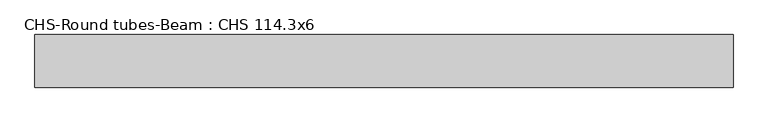
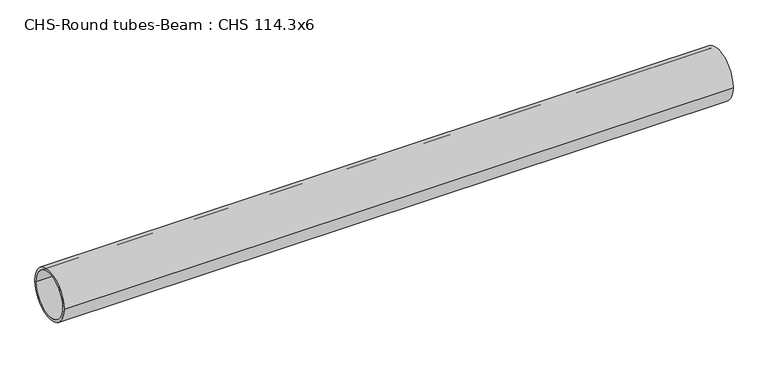
"""IFC4 building model written with IfcOpenShell, lengths in millimetres: beam geometry, CHS-Round tubes-Beam : CHS 114.3x6."""

from ifc_helpers import new_model, si_unit, point, frame, origin, origin_2d, place, context, project, spatial, circle_curve, trimmed, segment, composite_curve, outline, extrude, source, transform, mapped, element, save


def chs_round_tubes_beam_chs_114_3x6_8fd812cd(model_context):
    return source(origin(), model_context, "Body", "SweptSolid", [
        extrude(outline(composite_curve([segment(trimmed(circle_curve(origin_2d(), 57.15), [point((57.15, 0.0))], [point((-57.15, 0.0))], False, "CARTESIAN"), True, "CONTINUOUS"), segment(trimmed(circle_curve(origin_2d(), 57.15), [point((-57.15, 0.0))], [point((57.15, 0.0))], False, "CARTESIAN"), True, "CONTINUOUS")], self_intersect=False), holes=[composite_curve([segment(trimmed(circle_curve(origin_2d(), 51.15), [point((51.15, 0.0))], [point((-51.15, 0.0))], True, "CARTESIAN"), True, "CONTINUOUS"), segment(trimmed(circle_curve(origin_2d(), 51.15), [point((-51.15, 0.0))], [point((51.15, 0.0))], True, "CARTESIAN"), True, "CONTINUOUS")], self_intersect=False)]), frame((-751.6154538, 0.0, 0.0), z_axis=(1.0, 0.0, 0.0), x_axis=(0.0, 1.0, 0.0)), (0.0, 0.0, 1.0), 1517.0567207),
    ])


if __name__ == "__main__":
    model = new_model("IFC4")
    model_context = context("Model", 3, world=origin())
    ifc_project = project(units=[si_unit("LENGTHUNIT", "METRE", prefix="MILLI")], contexts=[model_context])
    site = spatial("IfcSite", under=ifc_project)
    building = spatial("IfcBuilding", under=site)
    placement = place(None, origin())
    chs_round_tubes_beam_chs_114_3x6_shape = chs_round_tubes_beam_chs_114_3x6_8fd812cd(model_context)
    element("IfcBeam", 1, ObjectType="CHS-Round tubes-Beam : CHS 114.3x6", at=placement, inside=building, context=model_context, shape_type="MappedRepresentation", body=[
        mapped(chs_round_tubes_beam_chs_114_3x6_shape, transform((0.0, 0.0, 0.0), x_axis=(1.0, 0.0, 0.0), y_axis=(0.0, 1.0, 0.0), z_axis=(0.0, 0.0, 1.0))),
    ])
    save(model, "model.ifc")
